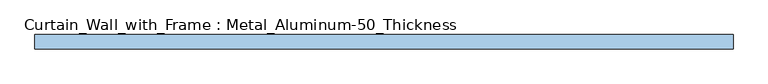
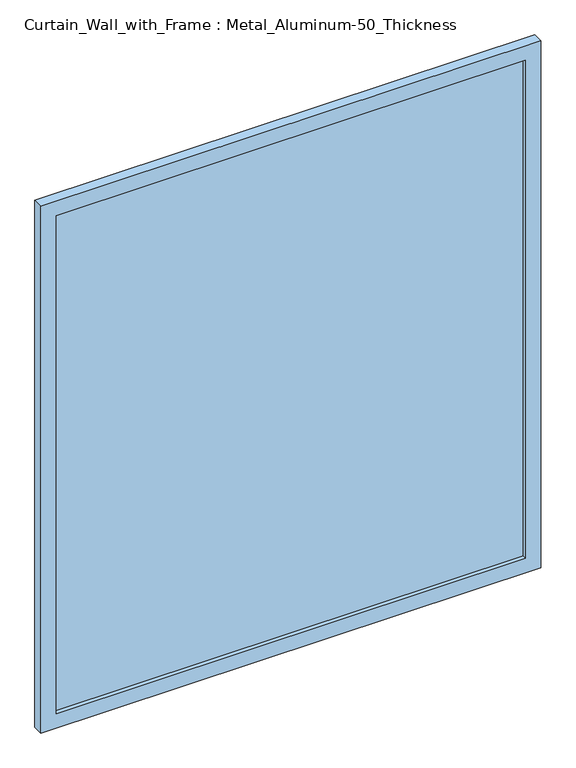
"""IFC4 building model written with IfcOpenShell, lengths in millimetres: window geometry, Curtain_Wall_with_Frame : Metal_Aluminum-50_Thickness."""

from ifc_helpers import new_model, si_unit, frame, origin, place, context, project, spatial, polyline, outline, extrude, source, transform, mapped, element, save


def curtain_wall_with_frame_metal_aluminum_50_thickness_45533119(model_context):
    return source(origin(), model_context, "Body", "SweptSolid", [
        extrude(outline(polyline([(1150.0, -30.95), (-1150.0, -30.95), (-1150.0, -18.25), (1150.0, -18.25), (1150.0, -30.95)])), frame((0.0, 0.0, 75.0), z_axis=(0.0, 0.0, 1.0), x_axis=(1.0, 0.0, 0.0)), (0.0, 0.0, 1.0), 2580.0),
        extrude(outline(polyline([(2730.0, -1225.0), (0.0, -1225.0), (0.0, 1225.0), (2730.0, 1225.0), (2730.0, -1225.0)]), holes=[polyline([(2655.0, -1150.0), (2655.0, 1150.0), (75.0, 1150.0), (75.0, -1150.0), (2655.0, -1150.0)])]), frame((0.0, -50.0, 0.0), z_axis=(0.0, 1.0, 0.0), x_axis=(0.0, 0.0, 1.0)), (0.0, 0.0, 1.0), 50.0),
    ])


if __name__ == "__main__":
    model = new_model("IFC4")
    model_context = context("Model", 3, world=origin())
    ifc_project = project(units=[si_unit("LENGTHUNIT", "METRE", prefix="MILLI")], contexts=[model_context])
    site = spatial("IfcSite", under=ifc_project)
    building = spatial("IfcBuilding", under=site)
    placement = place(None, origin())
    curtain_wall_with_frame_metal_aluminum_50_thickness_shape = curtain_wall_with_frame_metal_aluminum_50_thickness_45533119(model_context)
    element("IfcWindow", 1, ObjectType="Curtain_Wall_with_Frame : Metal_Aluminum-50_Thickness", at=placement, inside=building, context=model_context, shape_type="MappedRepresentation", body=[
        mapped(curtain_wall_with_frame_metal_aluminum_50_thickness_shape, transform((0.0, 0.0, 0.0), x_axis=(1.0, 0.0, 0.0), y_axis=(0.0, 1.0, 0.0), z_axis=(0.0, 0.0, 1.0))),
    ])
    save(model, "model.ifc")
